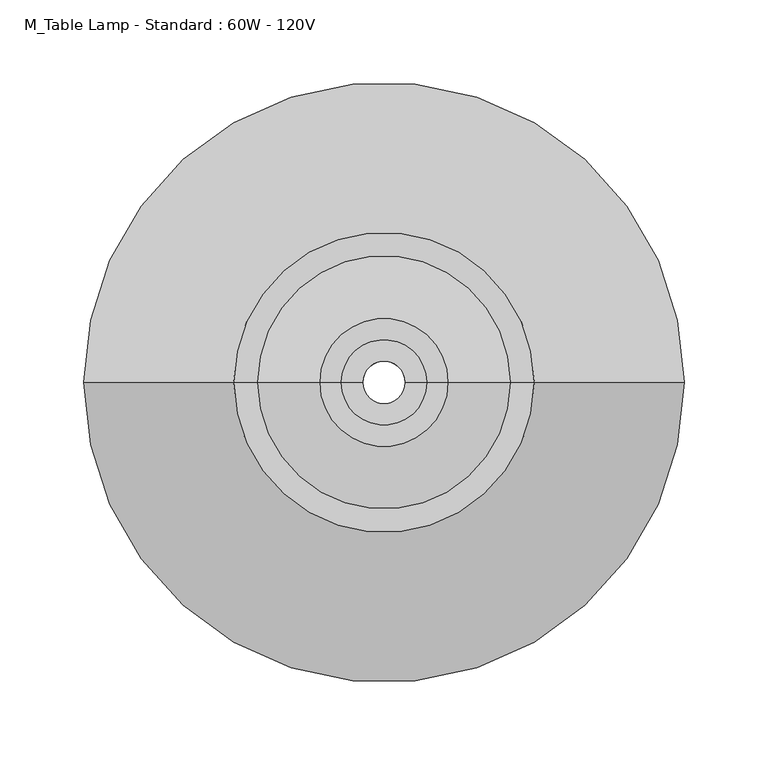
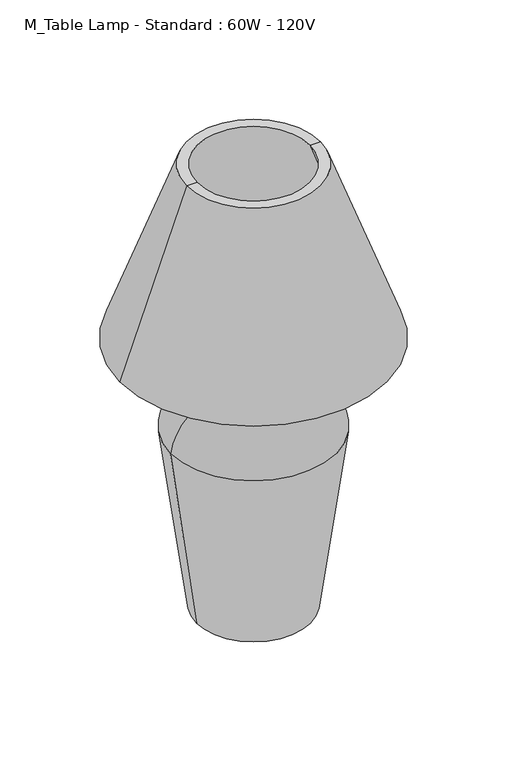
"""IFC4 building model written with IfcOpenShell, lengths in millimetres: light fixture geometry, M_Table Lamp - Standard : 60W - 120V."""

from ifc_helpers import new_model, si_unit, point, frame, origin, origin_with_axes, place, context, project, spatial, polyline, circle_curve, ellipse_curve, trimmed, source, transform, mapped, element, save
from ifc_brep_helpers import plane_surface, cylinder_surface, revolved_surface, advanced_brep


def m_table_lamp_standard_60w_120v_6e8cd8b1(model_context):
    return source(origin(), model_context, "Body", "AdvancedBrep", [
        advanced_brep(
        [(-164.7317588, 0.0, 376.8232721), (164.7317588, 0.0, 376.8232721), (75.4334235, 0.0, 622.168432), (-75.4334235, 0.0, 622.168432), (-178.6712043, 0.0, 376.8232721), (178.6712043, 0.0, 376.8232721), (-89.372869, 0.0, 622.168432), (89.372869, 0.0, 622.168432)],
        [
            (0, 1, circle_curve(frame((0.0, 0.0, 376.8232721), z_axis=(0.0, 0.0, -1.0), x_axis=(1.0, 0.0, 0.0)), 164.7317588)),
            (1, 2),
            (2, 3, circle_curve(frame((0.0, 0.0, 622.168432), z_axis=(0.0, 0.0, 1.0), x_axis=(1.0, 0.0, 0.0)), 75.4334235)),
            (3, 0),
            (1, 0, circle_curve(frame((0.0, 0.0, 376.8232721), z_axis=(0.0, 0.0, -1.0), x_axis=(1.0, 0.0, 0.0)), 164.7317588)),
            (3, 2, circle_curve(frame((0.0, 0.0, 622.168432), z_axis=(0.0, 0.0, 1.0), x_axis=(1.0, 0.0, 0.0)), 75.4334235)),
            (4, 5, circle_curve(frame((0.0, 0.0, 376.8232721), z_axis=(0.0, 0.0, -1.0), x_axis=(1.0, 0.0, 0.0)), 178.6712043)),
            (5, 1),
            (0, 4),
            (5, 4, circle_curve(frame((0.0, 0.0, 376.8232721), z_axis=(0.0, 0.0, -1.0), x_axis=(1.0, 0.0, 0.0)), 178.6712043)),
            (6, 7, circle_curve(frame((0.0, 0.0, 622.168432), z_axis=(0.0, 0.0, -1.0), x_axis=(1.0, 0.0, 0.0)), 89.372869)),
            (7, 5),
            (4, 6),
            (7, 6, circle_curve(frame((0.0, 0.0, 622.168432), z_axis=(0.0, 0.0, -1.0), x_axis=(1.0, 0.0, 0.0)), 89.372869)),
            (2, 7),
            (6, 3),
        ],
        [
            revolved_surface(polyline([(75.4334235, 0.0, 622.168432), (164.7317588, 0.0, 376.8232721)]), (0.0, 0.0, 736.6), (0.0, 0.0, 1.0)),
            plane_surface(frame((0.0, 0.0, 376.8232721), z_axis=(0.0, 0.0, -1.0), x_axis=(1.0, 0.0, 0.0))),
            revolved_surface(polyline([(178.6712043, 0.0, 376.8232721), (89.372869, 0.0, 622.168432)]), (0.0, 0.0, 736.6), (0.0, 0.0, 1.0)),
            plane_surface(frame((0.0, 0.0, 622.168432), z_axis=(0.0, 0.0, 1.0), x_axis=(1.0, 0.0, 0.0))),
        ],
        [
            (0, [[1, 2, 3, 4]]),
            (0, [[5, -4, 6, -2]]),
            (1, [[7, 8, -1, 9]]),
            (1, [[10, -9, -5, -8]]),
            (2, [[11, 12, -7, 13]]),
            (2, [[14, -13, -10, -12]]),
            (3, [[-3, 15, -11, 16]]),
            (3, [[-6, -16, -14, -15]]),
        ],
    ),
        advanced_brep(
        [(-25.4, 0.0, 363.9152112), (25.4, 0.0, 363.9152112), (25.4, 0.0, 338.5152112), (-25.4, 0.0, 338.5152112), (-12.7, 0.0, 363.9152112), (12.7, 0.0, 363.9152112), (-12.7, 0.0, 338.5152112), (12.7, 0.0, 338.5152112)],
        [
            (0, 1, circle_curve(frame((0.0, 0.0, 363.9152112), z_axis=(0.0, 0.0, -1.0), x_axis=(1.0, 0.0, 0.0)), 25.4)),
            (1, 2),
            (2, 3, circle_curve(frame((0.0, 0.0, 338.5152112), z_axis=(0.0, 0.0, 1.0), x_axis=(1.0, 0.0, 0.0)), 25.4)),
            (3, 0),
            (1, 0, circle_curve(frame((0.0, 0.0, 363.9152112), z_axis=(0.0, 0.0, -1.0), x_axis=(1.0, 0.0, 0.0)), 25.4)),
            (3, 2, circle_curve(frame((0.0, 0.0, 338.5152112), z_axis=(0.0, 0.0, 1.0), x_axis=(1.0, 0.0, 0.0)), 25.4)),
            (4, 5, circle_curve(frame((0.0, 0.0, 363.9152112), z_axis=(0.0, 0.0, -1.0), x_axis=(1.0, 0.0, 0.0)), 12.7)),
            (5, 1),
            (0, 4),
            (5, 4, circle_curve(frame((0.0, 0.0, 363.9152112), z_axis=(0.0, 0.0, -1.0), x_axis=(1.0, 0.0, 0.0)), 12.7)),
            (6, 7, circle_curve(frame((0.0, 0.0, 338.5152112), z_axis=(0.0, 0.0, -1.0), x_axis=(1.0, 0.0, 0.0)), 12.7)),
            (7, 5),
            (4, 6),
            (7, 6, circle_curve(frame((0.0, 0.0, 338.5152112), z_axis=(0.0, 0.0, -1.0), x_axis=(1.0, 0.0, 0.0)), 12.7)),
            (2, 7),
            (6, 3),
        ],
        [
            cylinder_surface(frame((0.0, 0.0, 457.2), z_axis=(0.0, 0.0, 1.0), x_axis=(1.0, 0.0, 0.0)), 25.4),
            plane_surface(frame((0.0, 0.0, 363.9152112), z_axis=(0.0, 0.0, 1.0), x_axis=(1.0, 0.0, 0.0))),
            revolved_surface(polyline([(12.7, 0.0, 363.9152112), (12.7, 0.0, 338.5152112)]), (0.0, 0.0, 457.2), (0.0, 0.0, 1.0)),
            plane_surface(frame((0.0, 0.0, 338.5152112), z_axis=(0.0, 0.0, -1.0), x_axis=(1.0, 0.0, 0.0))),
        ],
        [
            (0, [[1, 2, 3, 4]]),
            (0, [[5, -4, 6, -2]]),
            (1, [[7, 8, -1, 9]]),
            (1, [[10, -9, -5, -8]]),
            (2, [[11, 12, -7, 13]]),
            (2, [[14, -13, -10, -12]]),
            (3, [[-3, 15, -11, 16]]),
            (3, [[-6, -16, -14, -15]]),
        ],
    ),
        advanced_brep(
        [(-38.1, 0.0, 300.4152112), (38.1, 0.0, 300.4152112), (12.7, 0.0, 300.4152112), (-12.7, 0.0, 300.4152112), (-38.1, 0.0, 338.5152112), (38.1, 0.0, 338.5152112), (-12.7, 0.0, 338.5152112), (12.7, 0.0, 338.5152112)],
        [
            (0, 1, circle_curve(frame((0.0, 0.0, 300.4152112), z_axis=(0.0, 0.0, -1.0), x_axis=(1.0, 0.0, 0.0)), 38.1)),
            (1, 2),
            (2, 3, circle_curve(frame((0.0, 0.0, 300.4152112), z_axis=(0.0, 0.0, 1.0), x_axis=(1.0, 0.0, 0.0)), 12.7)),
            (3, 0),
            (1, 0, circle_curve(frame((0.0, 0.0, 300.4152112), z_axis=(0.0, 0.0, -1.0), x_axis=(1.0, 0.0, 0.0)), 38.1)),
            (3, 2, circle_curve(frame((0.0, 0.0, 300.4152112), z_axis=(0.0, 0.0, 1.0), x_axis=(1.0, 0.0, 0.0)), 12.7)),
            (4, 5, circle_curve(frame((0.0, 0.0, 338.5152112), z_axis=(0.0, 0.0, -1.0), x_axis=(1.0, 0.0, 0.0)), 38.1)),
            (5, 1),
            (0, 4),
            (5, 4, circle_curve(frame((0.0, 0.0, 338.5152112), z_axis=(0.0, 0.0, -1.0), x_axis=(1.0, 0.0, 0.0)), 38.1)),
            (6, 7, circle_curve(frame((0.0, 0.0, 338.5152112), z_axis=(0.0, 0.0, -1.0), x_axis=(1.0, 0.0, 0.0)), 12.7)),
            (7, 5),
            (4, 6),
            (7, 6, circle_curve(frame((0.0, 0.0, 338.5152112), z_axis=(0.0, 0.0, -1.0), x_axis=(1.0, 0.0, 0.0)), 12.7)),
            (2, 7),
            (6, 3),
        ],
        [
            plane_surface(frame((0.0, 0.0, 300.4152112), z_axis=(0.0, 0.0, -1.0), x_axis=(1.0, 0.0, 0.0))),
            cylinder_surface(frame((0.0, 0.0, 431.8), z_axis=(0.0, 0.0, 1.0), x_axis=(1.0, 0.0, 0.0)), 38.1),
            plane_surface(frame((0.0, 0.0, 338.5152112), z_axis=(0.0, 0.0, 1.0), x_axis=(1.0, 0.0, 0.0))),
            revolved_surface(polyline([(12.7, 0.0, 338.5152112), (12.7, 0.0, 300.4152112)]), (0.0, 0.0, 431.8), (0.0, 0.0, 1.0)),
        ],
        [
            (0, [[1, 2, 3, 4]]),
            (0, [[5, -4, 6, -2]]),
            (1, [[7, 8, -1, 9]]),
            (1, [[10, -9, -5, -8]]),
            (2, [[11, 12, -7, 13]]),
            (2, [[14, -13, -10, -12]]),
            (3, [[-3, 15, -11, 16]]),
            (3, [[-6, -16, -14, -15]]),
        ],
    ),
        advanced_brep(
        [(-110.728718, 0.0, 251.659832), (110.728718, 0.0, 251.659832), (76.2, 0.0, 0.0), (-76.2, 0.0, 0.0), (-38.1, 0.0, 310.9616106), (38.1, 0.0, 310.9616106), (-38.1, 0.0, 300.4152112), (38.1, 0.0, 300.4152112), (-98.1869356, 0.0, 253.725236), (98.1869356, 0.0, 253.725236), (-65.5434347, 0.0, 12.7), (65.5434347, 0.0, 12.7), (-12.7, 0.0, 12.7), (12.7, 0.0, 12.7), (-12.7, 0.0, 0.0), (12.7, 0.0, 0.0)],
        [
            (0, 1, circle_curve(frame((0.0, 0.0, 251.659832), z_axis=(0.0, 0.0, -1.0), x_axis=(1.0, 0.0, 0.0)), 110.728718)),
            (1, 2),
            (2, 3, circle_curve(origin_with_axes(), 76.2)),
            (3, 0),
            (1, 0, circle_curve(frame((0.0, 0.0, 251.659832), z_axis=(0.0, 0.0, -1.0), x_axis=(1.0, 0.0, 0.0)), 110.728718)),
            (3, 2, circle_curve(origin_with_axes(), 76.2)),
            (4, 5, circle_curve(frame((0.0, 0.0, 310.9616106), z_axis=(0.0, 0.0, -1.0), x_axis=(1.0, 0.0, 0.0)), 38.1)),
            (5, 1, circle_curve(frame((44.5301031, 0.0, 244.710551), z_axis=(0.0, 1.0, 0.0), x_axis=(1.0, 0.0, 0.0)), 66.5623702)),
            (0, 4, circle_curve(frame((-44.5301031, 0.0, 244.710551), z_axis=(0.0, 1.0, 0.0), x_axis=(-1.0, 0.0, 0.0)), 66.5623702)),
            (5, 4, circle_curve(frame((0.0, 0.0, 310.9616106), z_axis=(0.0, 0.0, -1.0), x_axis=(1.0, 0.0, 0.0)), 38.1)),
            (6, 7, circle_curve(frame((0.0, 0.0, 300.4152112), z_axis=(0.0, 0.0, -1.0), x_axis=(1.0, 0.0, 0.0)), 38.1)),
            (7, 5),
            (4, 6),
            (7, 6, circle_curve(frame((0.0, 0.0, 300.4152112), z_axis=(0.0, 0.0, -1.0), x_axis=(1.0, 0.0, 0.0)), 38.1)),
            (8, 9, circle_curve(frame((0.0, 0.0, 253.725236), z_axis=(0.0, 0.0, -1.0), x_axis=(1.0, 0.0, 0.0)), 98.1869356)),
            (9, 7, circle_curve(frame((44.5301031, 0.0, 246.6813721), z_axis=(0.0, -1.0, 0.0), x_axis=(1.0, 0.0, 0.0)), 54.1172033)),
            (6, 8, circle_curve(frame((-44.5301031, 0.0, 246.6813721), z_axis=(0.0, -1.0, 0.0), x_axis=(-1.0, 0.0, 0.0)), 54.1172033)),
            (9, 8, circle_curve(frame((0.0, 0.0, 253.725236), z_axis=(0.0, 0.0, -1.0), x_axis=(1.0, 0.0, 0.0)), 98.1869356)),
            (10, 11, circle_curve(frame((0.0, 0.0, 12.7), z_axis=(0.0, 0.0, -1.0), x_axis=(1.0, 0.0, 0.0)), 65.5434347)),
            (11, 9),
            (8, 10),
            (11, 10, circle_curve(frame((0.0, 0.0, 12.7), z_axis=(0.0, 0.0, -1.0), x_axis=(1.0, 0.0, 0.0)), 65.5434347)),
            (12, 13, circle_curve(frame((0.0, 0.0, 12.7), z_axis=(0.0, 0.0, -1.0), x_axis=(1.0, 0.0, 0.0)), 12.7)),
            (13, 11),
            (10, 12),
            (13, 12, circle_curve(frame((0.0, 0.0, 12.7), z_axis=(0.0, 0.0, -1.0), x_axis=(1.0, 0.0, 0.0)), 12.7)),
            (14, 15, circle_curve(frame((0.0, 0.0, 0.0), z_axis=(0.0, 0.0, -1.0), x_axis=(1.0, 0.0, 0.0)), 12.7)),
            (15, 13),
            (12, 14),
            (15, 14, circle_curve(frame((0.0, 0.0, 0.0), z_axis=(0.0, 0.0, -1.0), x_axis=(1.0, 0.0, 0.0)), 12.7)),
            (2, 15),
            (14, 3),
        ],
        [
            revolved_surface(polyline([(76.2, 0.0, 0.0), (110.728718, 0.0, 251.659832)]), (0.0, 0.0, -50.8), (0.0, 0.0, 1.0)),
            revolved_surface(trimmed(ellipse_curve(frame((44.5301031, 0.0, 244.710551), z_axis=(0.0, -1.0, 0.0), x_axis=(1.0, 0.0, 0.0)), 66.5623702, 66.5623702), [point((110.728718, 0.0, 251.659832))], [point((38.1, 0.0, 310.9616106))], True, "CARTESIAN"), (0.0, 0.0, -50.8), (0.0, 0.0, 1.0)),
            revolved_surface(polyline([(38.1, 0.0, 310.9616106), (38.1, 0.0, 300.4152112)]), (0.0, 0.0, -50.8), (0.0, 0.0, 1.0)),
            revolved_surface(trimmed(ellipse_curve(frame((44.5301031, 0.0, 246.6813721), z_axis=(0.0, 1.0, 0.0), x_axis=(1.0, 0.0, 0.0)), 54.1172033, 54.1172033), [point((38.1, 0.0, 300.4152112))], [point((98.1869356, 0.0, 253.725236))], True, "CARTESIAN"), (0.0, 0.0, -50.8), (0.0, 0.0, 1.0)),
            revolved_surface(polyline([(98.1869356, 0.0, 253.725236), (65.5434347, 0.0, 12.7)]), (0.0, 0.0, -50.8), (0.0, 0.0, 1.0)),
            plane_surface(frame((0.0, 0.0, 12.7), z_axis=(0.0, 0.0, 1.0), x_axis=(1.0, 0.0, 0.0))),
            revolved_surface(polyline([(12.7, 0.0, 12.700000000000003), (12.7, 0.0, 0.0)]), (0.0, 0.0, -50.8), (0.0, 0.0, 1.0)),
            plane_surface(frame((0.0, 0.0, 0.0), z_axis=(0.0, 0.0, -1.0), x_axis=(1.0, 0.0, 0.0))),
        ],
        [
            (0, [[1, 2, 3, 4]]),
            (0, [[5, -4, 6, -2]]),
            (1, [[7, 8, -1, 9]]),
            (1, [[10, -9, -5, -8]]),
            (2, [[11, 12, -7, 13]]),
            (2, [[14, -13, -10, -12]]),
            (3, [[15, 16, -11, 17]]),
            (3, [[18, -17, -14, -16]]),
            (4, [[19, 20, -15, 21]]),
            (4, [[22, -21, -18, -20]]),
            (5, [[23, 24, -19, 25]]),
            (5, [[26, -25, -22, -24]]),
            (6, [[27, 28, -23, 29]]),
            (6, [[30, -29, -26, -28]]),
            (7, [[-3, 31, -27, 32]]),
            (7, [[-6, -32, -30, -31]]),
        ],
    ),
    ])


if __name__ == "__main__":
    model = new_model("IFC4")
    model_context = context("Model", 3, world=origin())
    ifc_project = project(units=[si_unit("LENGTHUNIT", "METRE", prefix="MILLI")], contexts=[model_context])
    site = spatial("IfcSite", under=ifc_project)
    building = spatial("IfcBuilding", under=site)
    placement = place(None, origin())
    m_table_lamp_standard_60w_120v_shape = m_table_lamp_standard_60w_120v_6e8cd8b1(model_context)
    element("IfcLightFixture", 1, ObjectType="M_Table Lamp - Standard : 60W - 120V", at=placement, inside=building, context=model_context, shape_type="MappedRepresentation", body=[
        mapped(m_table_lamp_standard_60w_120v_shape, transform((0.0, 0.0, 0.0), x_axis=(1.0, 0.0, 0.0), y_axis=(0.0, 1.0, 0.0), z_axis=(0.0, 0.0, 1.0))),
    ])
    save(model, "model.ifc")
